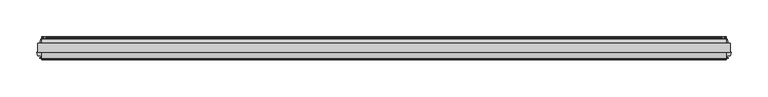
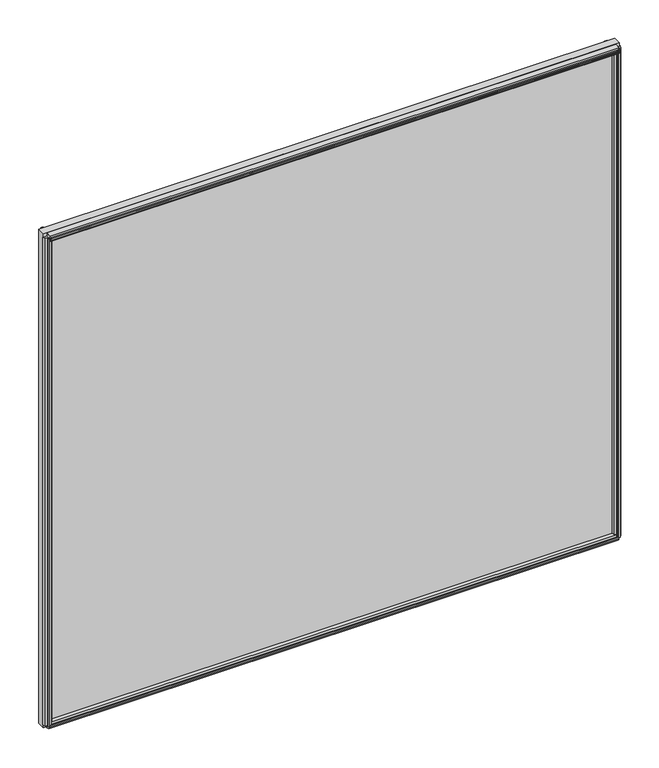
"""IFC4 building model written with IfcOpenShell, lengths in millimetres: plate geometry."""

import ifcopenshell
import ifcopenshell.guid

model = None  # the IFC model being written
_history = None  # IfcOwnerHistory: only IFC2X3 demands one
_inside = {}  # id of a spatial element -> (the spatial element, [elements in it])
_under = {}  # id of a project, library or spatial element -> (it, [spatial elements below it])
_declared = {}  # id of a project -> (the project, [libraries it declares])
_typed = {}  # id of a type object -> (the type object, [elements of that type])
_made_of = {}  # id of a material, layer set ... -> (it, [elements and type objects made of it])


def new_model(schema):
    """Start an empty IFC model of exactly this schema.

    Asked for "IFC4X3", IfcOpenShell would pick the latest addendum, in which some entities
    have other attributes; the version numbers below select the first issue.
    IFC2X3 requires an IfcOwnerHistory on every rooted entity: one is made here for all.
    """
    global model, _history
    if schema == "IFC4X3":
        model = ifcopenshell.file(schema_version=(4, 3, 0, 0))
    else:
        model = ifcopenshell.file(schema=schema)
    _inside.clear()
    _under.clear()
    _declared.clear()
    _typed.clear()
    _made_of.clear()
    _history = None
    if model.schema == "IFC2X3":
        org = make("IfcOrganization", Name="unknown")
        user = make(
            "IfcPersonAndOrganization",
            ThePerson=make("IfcPerson", FamilyName="unknown"),
            TheOrganization=org,
        )
        app = make(
            "IfcApplication",
            ApplicationDeveloper=org,
            Version="unknown",
            ApplicationFullName="unknown",
            ApplicationIdentifier="unknown",
        )
        _history = make(
            "IfcOwnerHistory",
            OwningUser=user,
            OwningApplication=app,
            ChangeAction="ADDED",
            CreationDate=0,
        )
    return model


def make(cls, **values):
    """One entity of the class cls with the attributes given. An attribute that is None is left unset."""
    return model.create_entity(
        cls, **{name: value for name, value in values.items() if value is not None}
    )


def rooted(cls, **values):
    """An entity with a GlobalId (a new one), such as an element, a storey or a relation."""
    return make(cls, GlobalId=ifcopenshell.guid.new(), OwnerHistory=_history, **values)


def si_unit(unit_type, name, prefix=None):
    """IfcSIUnit, for example si_unit("LENGTHUNIT", "METRE", prefix="MILLI")."""
    return make("IfcSIUnit", UnitType=unit_type, Prefix=prefix, Name=name)


def assignment(units):
    """IfcUnitAssignment: the units of a project."""
    return None if units is None else make("IfcUnitAssignment", Units=units)


def point(xyz):
    """IfcCartesianPoint."""
    return None if xyz is None else make("IfcCartesianPoint", Coordinates=xyz)


def direction(xyz):
    """IfcDirection."""
    return None if xyz is None else make("IfcDirection", DirectionRatios=xyz)


def frame(location, z_axis=None, x_axis=None):
    """IfcAxis2Placement3D, a coordinate frame: its origin and axes. An axis left out is left unset."""
    return make(
        "IfcAxis2Placement3D",
        Location=point(location),
        Axis=direction(z_axis),
        RefDirection=direction(x_axis),
    )


def frame_2d(location, x_axis=None):
    """IfcAxis2Placement2D, a coordinate frame in the plane: its origin and x axis."""
    return make(
        "IfcAxis2Placement2D", Location=point(location), RefDirection=direction(x_axis)
    )


def origin():
    """The frame at (0, 0, 0) with its axes left unset."""
    return frame((0.0, 0.0, 0.0))


def origin_with_axes():
    """The frame at (0, 0, 0) with the z axis (0, 0, 1) and the x axis (1, 0, 0) written out."""
    return frame((0.0, 0.0, 0.0), z_axis=(0.0, 0.0, 1.0), x_axis=(1.0, 0.0, 0.0))


def place(relative_to, where):
    """IfcLocalPlacement: puts the frame where relative to a parent placement (None: the world)."""
    return make(
        "IfcLocalPlacement", PlacementRelTo=relative_to, RelativePlacement=where
    )


def context(
    kind, dimensions, precision=None, world=None, true_north=None, identifier=None
):
    """IfcGeometricRepresentationContext, for example the 3D "Model" context."""
    return make(
        "IfcGeometricRepresentationContext",
        ContextIdentifier=identifier,
        ContextType=kind,
        CoordinateSpaceDimension=dimensions,
        Precision=precision,
        WorldCoordinateSystem=world,
        TrueNorth=true_north,
    )


def project(units=None, contexts=None):
    """IfcProject with its units and contexts."""
    return rooted(
        "IfcProject",
        Name="project",
        RepresentationContexts=contexts,
        UnitsInContext=assignment(units),
    )


def spatial(cls, under=None, at=None, **own):
    """A site, building, storey or space (cls), placed at a placement, below another one or the project."""
    s = rooted(cls, ObjectPlacement=at, **own)
    if under is not None:
        _under.setdefault(under.id(), (under, []))[1].append(s)
    return s


def polyline(points):
    """IfcPolyline through the points."""
    return make("IfcPolyline", Points=[point(p) for p in points])


def circle_curve(where, radius):
    """IfcCircle in the frame where."""
    return make("IfcCircle", Position=where, Radius=radius)


def trimmed(basis, trim1, trim2, sense, master):
    """IfcTrimmedCurve: the piece of a basis curve between two trims."""
    return make(
        "IfcTrimmedCurve",
        BasisCurve=basis,
        Trim1=trim1,
        Trim2=trim2,
        SenseAgreement=sense,
        MasterRepresentation=master,
    )


def segment(curve, same_sense, transition):
    """IfcCompositeCurveSegment."""
    return make(
        "IfcCompositeCurveSegment",
        Transition=transition,
        SameSense=same_sense,
        ParentCurve=curve,
    )


def composite_curve(segments, self_intersect=None):
    """IfcCompositeCurve: segments joined end to end."""
    return make("IfcCompositeCurve", Segments=segments, SelfIntersect=self_intersect)


def outline(outer, holes=None, kind="AREA"):
    """IfcArbitraryClosedProfileDef: a profile drawn as a closed curve; with holes, ...WithVoids."""
    if holes is None:
        return make("IfcArbitraryClosedProfileDef", ProfileType=kind, OuterCurve=outer)
    return make(
        "IfcArbitraryProfileDefWithVoids",
        ProfileType=kind,
        OuterCurve=outer,
        InnerCurves=holes,
    )


def extrude(swept, where, along, depth):
    """IfcExtrudedAreaSolid: the profile swept, set in the frame where, extruded along a direction by depth."""
    return make(
        "IfcExtrudedAreaSolid",
        SweptArea=swept,
        Position=where,
        ExtrudedDirection=direction(along),
        Depth=depth,
    )


def shape(context_of_items, identifier, shape_type, items):
    """IfcShapeRepresentation: the items that make up one representation, for example the "Body"."""
    return make(
        "IfcShapeRepresentation",
        ContextOfItems=context_of_items,
        RepresentationIdentifier=identifier,
        RepresentationType=shape_type,
        Items=items,
    )


def source(mapping_origin, context_of_items, identifier, shape_type, items):
    """IfcRepresentationMap: a shape defined once, which mapped items show again and again."""
    return make(
        "IfcRepresentationMap",
        MappingOrigin=mapping_origin,
        MappedRepresentation=shape(context_of_items, identifier, shape_type, items),
    )


def transform(
    local_origin,
    x_axis=None,
    y_axis=None,
    z_axis=None,
    scale=None,
    scale2=None,
    scale3=None,
    uniform=True,
):
    """IfcCartesianTransformationOperator3D, or its non-uniform kind. x_axis, y_axis, z_axis: its Axis1, 2, 3."""
    if uniform:
        return make(
            "IfcCartesianTransformationOperator3D",
            Axis1=direction(x_axis),
            Axis2=direction(y_axis),
            LocalOrigin=point(local_origin),
            Scale=scale,
            Axis3=direction(z_axis),
        )
    return make(
        "IfcCartesianTransformationOperator3DnonUniform",
        Axis1=direction(x_axis),
        Axis2=direction(y_axis),
        LocalOrigin=point(local_origin),
        Scale=scale,
        Axis3=direction(z_axis),
        Scale2=scale2,
        Scale3=scale3,
    )


def mapped(mapping_source, mapping_target):
    """IfcMappedItem: shows the shape of a source again, moved by a transform."""
    return make(
        "IfcMappedItem", MappingSource=mapping_source, MappingTarget=mapping_target
    )


def made_of(thing, what):
    """Note that an element or type object is made of a material, layer set ...; save() writes the relation."""
    if what is not None:
        _made_of.setdefault(what.id(), (what, []))[1].append(thing)
    return thing


def element(
    cls,
    number,
    at=None,
    inside=None,
    cuts=None,
    type_object=None,
    material=None,
    context=None,
    identifier="Body",
    shape_type=None,
    held_by="IfcProductDefinitionShape",
    body=None,
    shapes=None,
    **own,
):
    """One element of the class cls, such as IfcWall. Its Tag is "e" and its number.

    at: its placement. inside: the storey or other place that contains it. cuts: it is an
    opening in that element (IfcRelVoidsElement). A single representation is given by context,
    identifier, shape_type and body (its items); several are given by shapes. held_by: the class
    of the entity that holds the representations. save() writes the other relations.
    """
    e = rooted(cls, Tag="e%d" % number, ObjectPlacement=at, **own)
    if body is not None:
        shapes = [shape(context, identifier, shape_type, body)]
    if shapes is not None:
        e.Representation = make(held_by, Representations=shapes)
    if inside is not None:
        _inside.setdefault(inside.id(), (inside, []))[1].append(e)
    if cuts is not None:
        rooted(
            "IfcRelVoidsElement", RelatingBuildingElement=cuts, RelatedOpeningElement=e
        )
    if type_object is not None:
        _typed.setdefault(type_object.id(), (type_object, []))[1].append(e)
    return made_of(e, material)


def aggregate(whole, parts):
    """IfcRelAggregates: a whole, such as a stair, and the parts it consists of."""
    return rooted("IfcRelAggregates", RelatingObject=whole, RelatedObjects=parts)


def save(model, path):
    """Write the relations noted so far, then the file.

    IfcRelAggregates (storeys below a building ...), IfcRelContainedInSpatialStructure (elements
    in a storey), IfcRelDefinesByType, IfcRelAssociatesMaterial and IfcRelDeclares: one each for
    every whole, place, type object, material and project.
    """
    for whole, parts in _under.values():
        aggregate(whole, parts)
    for where, things in _inside.values():
        rooted(
            "IfcRelContainedInSpatialStructure",
            RelatedElements=things,
            RelatingStructure=where,
        )
    for kind, things in _typed.values():
        rooted("IfcRelDefinesByType", RelatedObjects=things, RelatingType=kind)
    for what, things in _made_of.values():
        rooted("IfcRelAssociatesMaterial", RelatedObjects=things, RelatingMaterial=what)
    for by, libraries in _declared.values():
        rooted("IfcRelDeclares", RelatingContext=by, RelatedDefinitions=libraries)
    model.write(path)


def plate_4ad0f515(model_context):
    return source(origin(), model_context, "Body", "SweptSolid", [
        extrude(outline(polyline([(472.3181594, -0.0460375), (472.3181594, -12.8984375), (-472.3181594, -12.8984375), (-472.3181594, -0.0460375), (472.3181594, -0.0460375)])), origin_with_axes(), (0.0, 0.0, 1.0), 857.2446606),
        extrude(outline(composite_curve([segment(polyline([(7.9801525, 11.112559), (5.5925525, 11.1124979)]), True, "CONTINUOUS"), segment(trimmed(circle_curve(frame_2d((5.5925727, 10.3250979)), 0.7874), [point((5.5925525, 11.1124979))], [point((4.8051727, 10.3250778))], True, "CARTESIAN"), True, "CONTINUOUS"), segment(polyline([(4.8051727, 10.3250778), (4.8051928, 9.5376778), (6.3799928, 9.5377181), (4.8053625, 3.7841758), (4.8053625, 2.9042818)]), True, "CONTINUOUS"), segment(trimmed(circle_curve(frame_2d((2.3796615, 2.9426237)), 2.426004), [point((4.8053625, 2.9042818))], [point((-0.0460375, 2.9041577))], False, "CARTESIAN"), True, "CONTINUOUS"), segment(polyline([(-0.0460375, 2.9041577), (-0.0460375, 16.9229653)]), True, "CONTINUOUS"), segment(trimmed(circle_curve(frame_2d((11.636134, 24.6114215)), 13.9851882), [point((-0.0460375, 16.9229653))], [point((7.9801525, 11.112559))], True, "CARTESIAN"), True, "CONTINUOUS")], self_intersect=False)), frame((-466.7619094, 0.0, 0.0), z_axis=(1.0, 0.0, 0.0), x_axis=(0.0, 1.0, 0.0)), (0.0, 0.0, 1.0), 933.5238188),
        extrude(outline(polyline([(-20.3942598, 3.946253), (-20.1464993, 2.4003), (-20.9588426, 2.4003), (-21.3566375, 4.7371), (-20.9416217, 7.0739), (-20.1283543, 7.0739), (-20.3886275, 5.5210429), (-17.6691189, 5.9939196), (-17.6691189, 10.3197912), (-12.8984375, 11.5326763), (-12.8984375, -2.0076763), (-17.6782032, -0.7924816), (-17.6782032, 3.4539358), (-20.3942598, 3.946253)])), frame((-466.7619094, 0.0, 0.0), z_axis=(1.0, 0.0, 0.0), x_axis=(0.0, 1.0, 0.0)), (0.0, 0.0, 1.0), 933.5238188),
        extrude(outline(polyline([(-12.8984375, 857.2787778), (-12.8984375, 843.461728), (-17.6736375, 844.460643), (-18.7846441, 848.6069762), (-21.5347434, 848.3697136), (-20.888384, 846.9388482), (-21.6734885, 846.7284801), (-22.6708491, 848.8804715), (-22.8831052, 851.242831), (-22.0980007, 851.4531991), (-21.9423316, 849.8908536), (-19.4420445, 851.0604278), (-20.5530511, 855.206761), (-12.8984375, 857.2787778)])), frame((-466.7619094, 0.0, 0.0), z_axis=(1.0, 0.0, 0.0), x_axis=(0.0, 1.0, 0.0)), (0.0, 0.0, 1.0), 933.5238188),
        extrude(outline(polyline([(4.8053625, 852.0260653), (4.8053625, 847.7334653), (7.5231625, 847.2508653), (7.2691625, 848.8002653), (8.0819625, 848.8002653), (8.4883625, 846.4634653), (8.0819625, 844.1266653), (7.2691625, 844.1266653), (7.5231625, 845.6760653), (4.8053625, 845.1934653), (4.8053625, 840.9008653), (-0.0460375, 839.6674585), (-0.0460375, 853.2594721), (4.8053625, 852.0260653)])), frame((-466.7619094, 0.0, 0.0), z_axis=(1.0, 0.0, 0.0), x_axis=(0.0, 1.0, 0.0)), (0.0, 0.0, 1.0), 933.5238188),
        extrude(outline(polyline([(465.9647124, -20.2926598), (465.4723952, -17.5766032), (461.1941202, -17.5766032), (460.004756, -12.8984375), (473.5063628, -12.8984375), (472.3193082, -17.5675189), (468.0123789, -17.5675189), (467.5395023, -20.2870275), (469.0923594, -20.0267543), (469.0923594, -20.8400217), (466.7555594, -21.2550375), (464.4187594, -20.8572426), (464.4187594, -20.0448993), (465.9647124, -20.2926598)])), frame((0.0, 0.0, 5.55625), z_axis=(0.0, 0.0, 1.0), x_axis=(1.0, 0.0, 0.0)), (0.0, 0.0, 1.0), 846.1321606),
        extrude(outline(polyline([(463.3231023, 7.6219525), (463.7986485, 4.8870913), (468.1068114, 4.8870913), (469.3609967, -0.0460375), (455.7173221, -0.0460375), (456.9777082, 4.9114812), (461.2559866, 4.9114812), (461.7483124, 7.6275848), (460.2009208, 7.3791279), (460.2009208, 8.1919227), (462.5391594, 8.5899625), (464.8744909, 8.1752075), (464.8715839, 7.3624127), (463.3231023, 7.6219525)])), frame((0.0, 0.0, 5.55625), z_axis=(0.0, 0.0, 1.0), x_axis=(1.0, 0.0, 0.0)), (0.0, 0.0, 1.0), 846.1321606),
        extrude(outline(polyline([(-467.5395023, -20.2870275), (-468.0150485, -17.5521663), (-472.3232114, -17.5521663), (-473.5037394, -12.9087562), (-460.0073794, -12.9087562), (-461.1941082, -17.5765562), (-465.4723866, -17.5765562), (-465.9647124, -20.2926598), (-464.4173208, -20.0442029), (-464.4173208, -20.8569977), (-466.7555594, -21.2550375), (-469.0908909, -20.8402825), (-469.0879839, -20.0274877), (-467.5395023, -20.2870275)])), frame((0.0, 0.0, 5.55625), z_axis=(0.0, 0.0, 1.0), x_axis=(1.0, 0.0, 0.0)), (0.0, 0.0, 1.0), 846.1321606),
        extrude(outline(polyline([(-461.7552165, 7.6219525), (-461.2796703, 4.8870913), (-456.9715074, 4.8870913), (-455.7173221, -0.0460375), (-469.3609967, -0.0460375), (-468.1006106, 4.9114812), (-463.8223321, 4.9114812), (-463.3300064, 7.6275848), (-464.8773979, 7.3791279), (-464.8773979, 8.1919227), (-462.5391594, 8.5899625), (-460.2038278, 8.1752075), (-460.2067348, 7.3624127), (-461.7552165, 7.6219525)])), frame((0.0, 0.0, 5.55625), z_axis=(0.0, 0.0, 1.0), x_axis=(1.0, 0.0, 0.0)), (0.0, 0.0, 1.0), 846.1321606),
    ])


if __name__ == "__main__":
    model = new_model("IFC4")
    model_context = context("Model", 3, world=origin())
    ifc_project = project(units=[si_unit("LENGTHUNIT", "METRE", prefix="MILLI")], contexts=[model_context])
    site = spatial("IfcSite", under=ifc_project)
    building = spatial("IfcBuilding", under=site)
    placement = place(None, origin())
    plate_shape = plate_4ad0f515(model_context)
    element("IfcPlate", 1, at=placement, inside=building, context=model_context, shape_type="MappedRepresentation", body=[
        mapped(plate_shape, transform((0.0, 0.0, 0.0), x_axis=(1.0, 0.0, 0.0), y_axis=(0.0, 1.0, 0.0), z_axis=(0.0, 0.0, 1.0))),
    ])
    save(model, "model.ifc")
